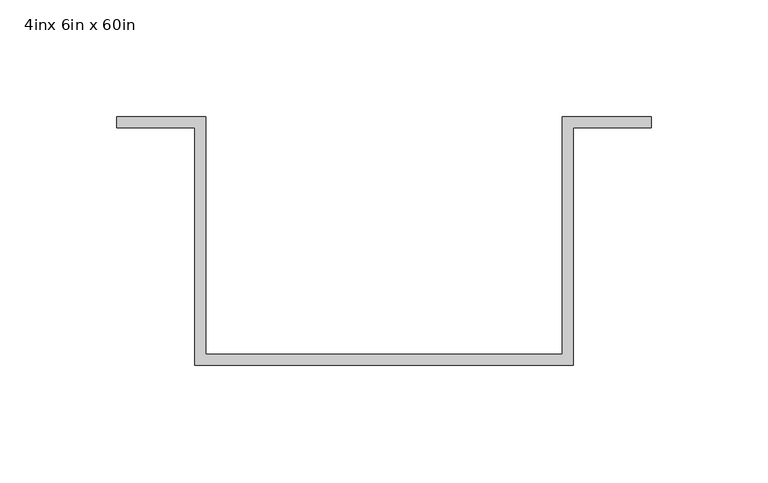
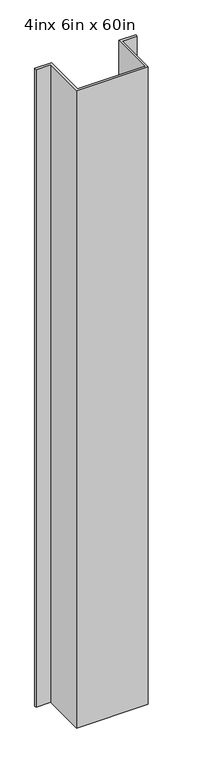
"""IFC4 building model written with IfcOpenShell, lengths in millimetres: proxy geometry, 4inx 6in x 60in."""

from ifc_helpers import new_model, si_unit, origin, origin_with_axes, place, context, project, spatial, polyline, outline, extrude, source, transform, mapped, element, save


def proxy_4inx_6in_x_60in_1d3137a6(model_context):
    return source(origin(), model_context, "Body", "SweptSolid", [
        extrude(outline(polyline([(76.2, 50.8), (114.3, 50.8), (114.3, 46.0375), (80.9625, 46.0375), (80.9625, -55.5625), (-80.9625, -55.5625), (-80.9625, 46.0375), (-114.3, 46.0375), (-114.3, 50.8), (-76.2, 50.8), (-76.2, -50.8), (76.2, -50.8), (76.2, 50.8)])), origin_with_axes(), (0.0, 0.0, 1.0), 1524.0),
    ])


if __name__ == "__main__":
    model = new_model("IFC4")
    model_context = context("Model", 3, world=origin())
    ifc_project = project(units=[si_unit("LENGTHUNIT", "METRE", prefix="MILLI")], contexts=[model_context])
    site = spatial("IfcSite", under=ifc_project)
    building = spatial("IfcBuilding", under=site)
    placement = place(None, origin())
    proxy_4inx_6in_x_60in_shape = proxy_4inx_6in_x_60in_1d3137a6(model_context)
    element("IfcBuildingElementProxy", 1, Name="4inx 6in x 60in", ObjectType="4inx 6in x 60in", at=placement, inside=building, context=model_context, shape_type="MappedRepresentation", body=[
        mapped(proxy_4inx_6in_x_60in_shape, transform((0.0, 0.0, 0.0), x_axis=(1.0, 0.0, 0.0), y_axis=(0.0, 1.0, 0.0), z_axis=(0.0, 0.0, 1.0))),
    ])
    save(model, "model.ifc")
